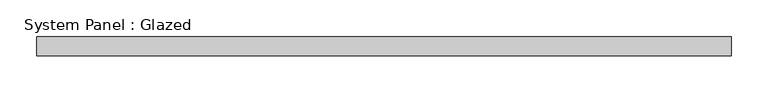
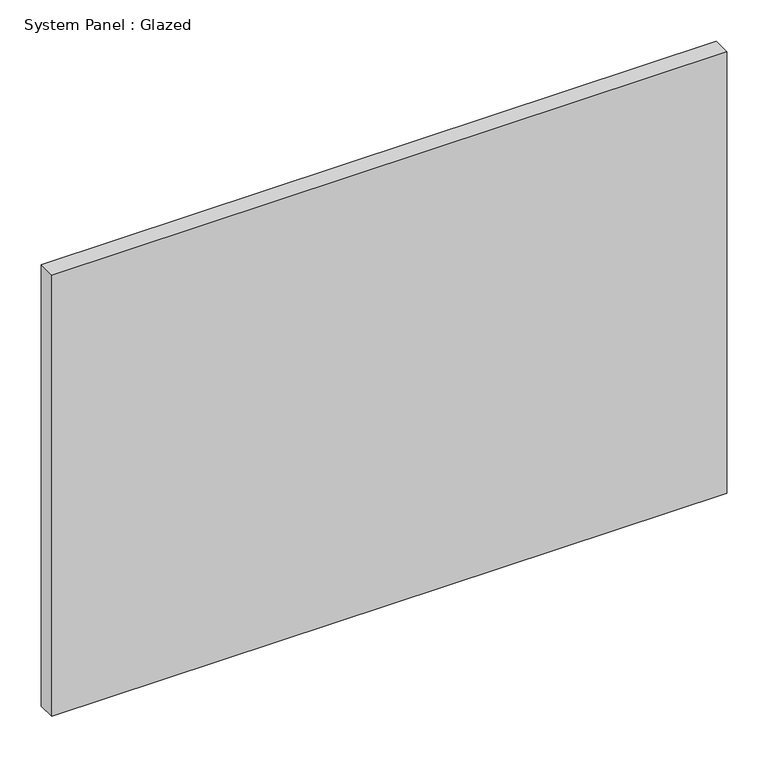
"""IFC4 building model written with IfcOpenShell, lengths in millimetres: plate geometry, System Panel : Glazed."""

from ifc_helpers import new_model, si_unit, origin, origin_with_axes, place, context, project, spatial, polyline, outline, extrude, source, transform, mapped, element, save


def system_panel_glazed_d523d789(model_context):
    return source(origin(), model_context, "Body", "SweptSolid", [
        extrude(outline(polyline([(469.9, 19.05), (-469.9, 19.05), (-469.9, 44.45), (469.9, 44.45), (469.9, 19.05)])), origin_with_axes(), (0.0, 0.0, 1.0), 649.8166667),
    ])


if __name__ == "__main__":
    model = new_model("IFC4")
    model_context = context("Model", 3, world=origin())
    ifc_project = project(units=[si_unit("LENGTHUNIT", "METRE", prefix="MILLI")], contexts=[model_context])
    site = spatial("IfcSite", under=ifc_project)
    building = spatial("IfcBuilding", under=site)
    placement = place(None, origin())
    system_panel_glazed_shape = system_panel_glazed_d523d789(model_context)
    element("IfcPlate", 1, ObjectType="System Panel : Glazed", at=placement, inside=building, context=model_context, shape_type="MappedRepresentation", body=[
        mapped(system_panel_glazed_shape, transform((0.0, 0.0, 0.0), x_axis=(1.0, 0.0, 0.0), y_axis=(0.0, 1.0, 0.0), z_axis=(0.0, 0.0, 1.0))),
    ])
    save(model, "model.ifc")
